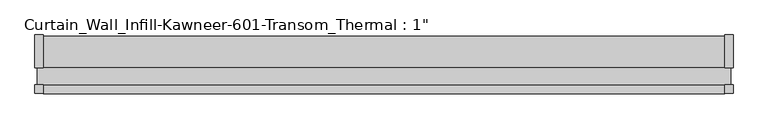
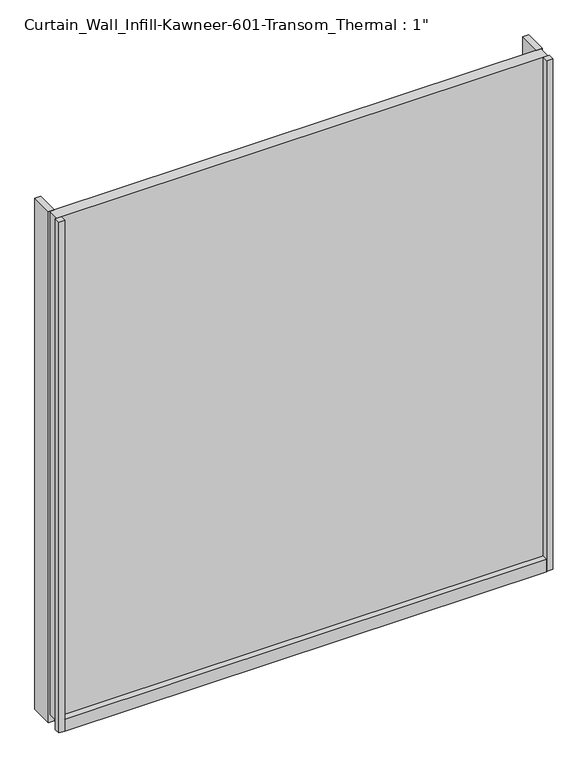
"""IFC4 building model written with IfcOpenShell, lengths in millimetres: plate geometry."""

from ifc_helpers import new_model, si_unit, frame, origin, origin_with_axes, place, context, project, spatial, polyline, outline, extrude, source, transform, mapped, element, save


def plate_f6c642cf(model_context):
    return source(origin(), model_context, "Body", "SweptSolid", [
        extrude(outline(polyline([(508.58246, -25.2723869), (508.58246, -12.7), (521.28246, -12.7), (521.28246, -25.2723869), (508.58246, -25.2723869)])), origin_with_axes(), (0.0, 0.0, 1.0), 1139.825),
        extrude(outline(polyline([(521.28246, 62.0401131), (521.28246, 12.7), (508.58246, 12.7), (508.58246, 62.0401131), (521.28246, 62.0401131)])), origin_with_axes(), (0.0, 0.0, 1.0), 1139.825),
        extrude(outline(polyline([(-508.58246, -25.2723869), (-521.28246, -25.2723869), (-521.28246, -12.7), (-508.58246, -12.7), (-508.58246, -25.2723869)])), origin_with_axes(), (0.0, 0.0, 1.0), 1139.825),
        extrude(outline(polyline([(-521.28246, 62.0401131), (-508.58246, 62.0401131), (-508.58246, 12.7), (-521.28246, 12.7), (-521.28246, 62.0401131)])), origin_with_axes(), (0.0, 0.0, 1.0), 1139.825),
        extrude(outline(polyline([(-12.7, 26.9875), (-12.7, 17.4625), (12.7, 17.4625), (12.7, 26.9875), (60.091499, 26.9875), (60.091499, 0.0), (-25.625216, 0.0), (-25.625216, 26.9875), (-12.7, 26.9875)])), frame((-508.58246, 0.0, 0.0), z_axis=(1.0, 0.0, 0.0), x_axis=(0.0, 1.0, 0.0)), (0.0, 0.0, 1.0), 1017.16492),
        extrude(outline(polyline([(-518.10746, -12.7), (-518.10746, 12.7), (518.10746, 12.7), (518.10746, -12.7), (-518.10746, -12.7)])), frame((0.0, 0.0, 17.4625), z_axis=(0.0, 0.0, 1.0), x_axis=(1.0, 0.0, 0.0)), (0.0, 0.0, 1.0), 1122.3625),
    ])


if __name__ == "__main__":
    model = new_model("IFC4")
    model_context = context("Model", 3, world=origin())
    ifc_project = project(units=[si_unit("LENGTHUNIT", "METRE", prefix="MILLI")], contexts=[model_context])
    site = spatial("IfcSite", under=ifc_project)
    building = spatial("IfcBuilding", under=site)
    placement = place(None, origin())
    plate_shape = plate_f6c642cf(model_context)
    element("IfcPlate", 1, ObjectType="Curtain_Wall_Infill-Kawneer-601-Transom_Thermal : 1\"", at=placement, inside=building, context=model_context, shape_type="MappedRepresentation", body=[
        mapped(plate_shape, transform((0.0, 0.0, 0.0), x_axis=(1.0, 0.0, 0.0), y_axis=(0.0, 1.0, 0.0), z_axis=(0.0, 0.0, 1.0))),
    ])
    save(model, "model.ifc")
